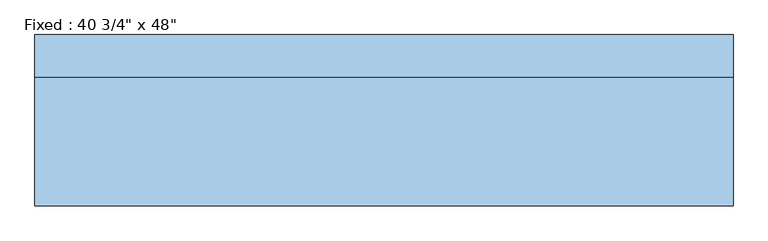
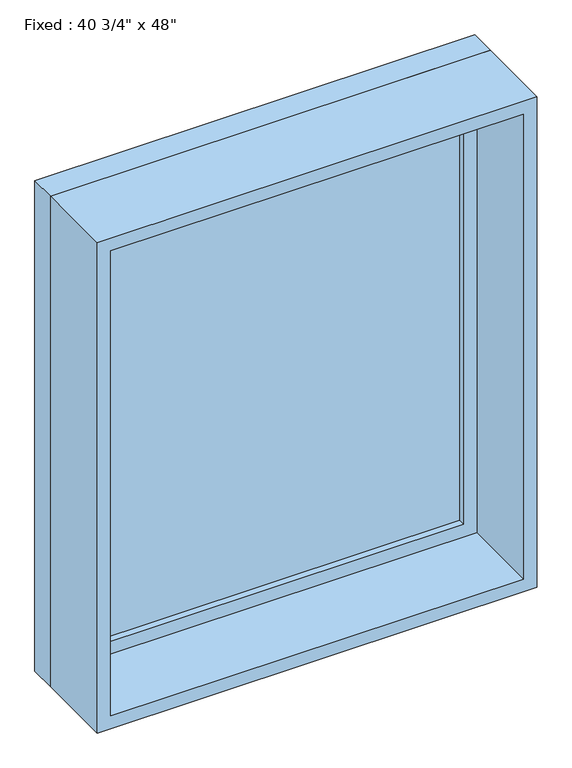
"""IFC4 building model written with IfcOpenShell, lengths in millimetres: window geometry."""

from ifc_helpers import new_model, si_unit, frame, origin, place, context, project, spatial, polyline, outline, extrude, source, transform, mapped, element, save


def window_2f39302b(model_context):
    return source(origin(), model_context, "Body", "SweptSolid", [
        extrude(outline(polyline([(415.925, 79.375), (-492.125, 79.375), (-492.125, 92.075), (415.925, 92.075), (415.925, 79.375)])), frame((0.0, 0.0, 368.3), z_axis=(0.0, 0.0, 1.0), x_axis=(1.0, 0.0, 0.0)), (0.0, 0.0, 1.0), 1092.2),
        extrude(outline(polyline([(1504.95, -536.575), (323.85, -536.575), (323.85, 460.375), (1504.95, 460.375), (1504.95, -536.575)]), holes=[polyline([(1460.5, -492.125), (1460.5, 415.925), (368.3, 415.925), (368.3, -492.125), (1460.5, -492.125)])]), frame((0.0, 63.5, 0.0), z_axis=(0.0, 1.0, 0.0), x_axis=(0.0, 0.0, 1.0)), (0.0, 0.0, 1.0), 44.45),
        extrude(outline(polyline([(1524.0, -555.625), (304.8, -555.625), (304.8, 479.425), (1524.0, 479.425), (1524.0, -555.625)]), holes=[polyline([(1492.25, -523.875), (1492.25, 447.675), (336.55, 447.675), (336.55, -523.875), (1492.25, -523.875)])]), frame((0.0, -127.0, 0.0), z_axis=(0.0, 1.0, 0.0), x_axis=(0.0, 0.0, 1.0)), (0.0, 0.0, 1.0), 190.5),
        extrude(outline(polyline([(1524.0, 479.425), (1524.0, -555.625), (304.8, -555.625), (304.8, 479.425), (1524.0, 479.425)]), holes=[polyline([(1504.95, 460.375), (323.85, 460.375), (323.85, -536.575), (1504.95, -536.575), (1504.95, 460.375)])]), frame((0.0, 63.5, 0.0), z_axis=(0.0, 1.0, 0.0), x_axis=(0.0, 0.0, 1.0)), (0.0, 0.0, 1.0), 63.5),
    ])


if __name__ == "__main__":
    model = new_model("IFC4")
    model_context = context("Model", 3, world=origin())
    ifc_project = project(units=[si_unit("LENGTHUNIT", "METRE", prefix="MILLI")], contexts=[model_context])
    site = spatial("IfcSite", under=ifc_project)
    building = spatial("IfcBuilding", under=site)
    placement = place(None, origin())
    window_shape = window_2f39302b(model_context)
    element("IfcWindow", 1, ObjectType="Fixed : 40 3/4\" x 48\"", at=placement, inside=building, context=model_context, shape_type="MappedRepresentation", body=[
        mapped(window_shape, transform((0.0, 0.0, 0.0), x_axis=(1.0, 0.0, 0.0), y_axis=(0.0, 1.0, 0.0), z_axis=(0.0, 0.0, 1.0))),
    ])
    save(model, "model.ifc")
